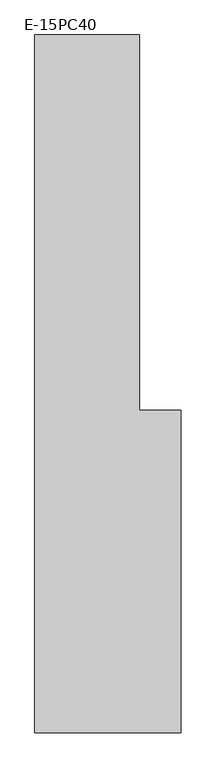
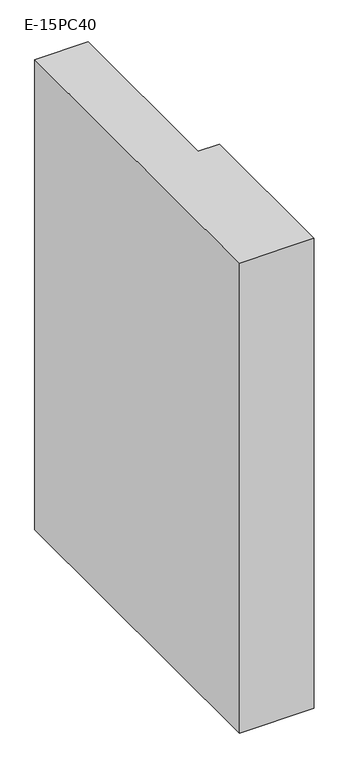
"""IFC4 building model written with IfcOpenShell, lengths in millimetres: column geometry, E-15PC40."""

from ifc_helpers import new_model, si_unit, frame, origin, place, context, project, spatial, polyline, outline, extrude, source, transform, mapped, element, save


def e_15pc40_4a66d24b(model_context):
    return source(origin(), model_context, "Body", "SweptSolid", [
        extrude(outline(polyline([(-250.0, -250.0), (-250.0, 1750.0), (50.0, 1750.0), (50.0, 675.0), (170.0, 675.0), (170.0, -250.0), (-250.0, -250.0)])), frame((0.0, 0.0, 26000.0), z_axis=(0.0, 0.0, 1.0), x_axis=(1.0, 0.0, 0.0)), (0.0, 0.0, 1.0), 2800.0),
    ])


if __name__ == "__main__":
    model = new_model("IFC4")
    model_context = context("Model", 3, world=origin())
    ifc_project = project(units=[si_unit("LENGTHUNIT", "METRE", prefix="MILLI")], contexts=[model_context])
    site = spatial("IfcSite", under=ifc_project)
    building = spatial("IfcBuilding", under=site)
    placement = place(None, origin())
    e_15pc40_shape = e_15pc40_4a66d24b(model_context)
    element("IfcColumn", 1, ObjectType="E-15PC40", at=placement, inside=building, context=model_context, shape_type="MappedRepresentation", body=[
        mapped(e_15pc40_shape, transform((0.0, 0.0, 0.0), x_axis=(1.0, 0.0, 0.0), y_axis=(0.0, 1.0, 0.0), z_axis=(0.0, 0.0, 1.0))),
    ])
    save(model, "model.ifc")
